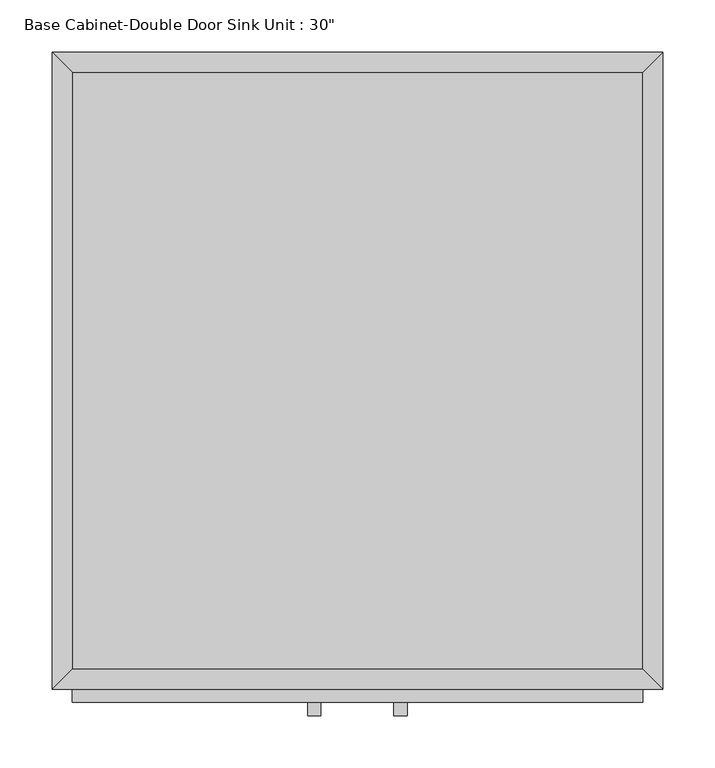
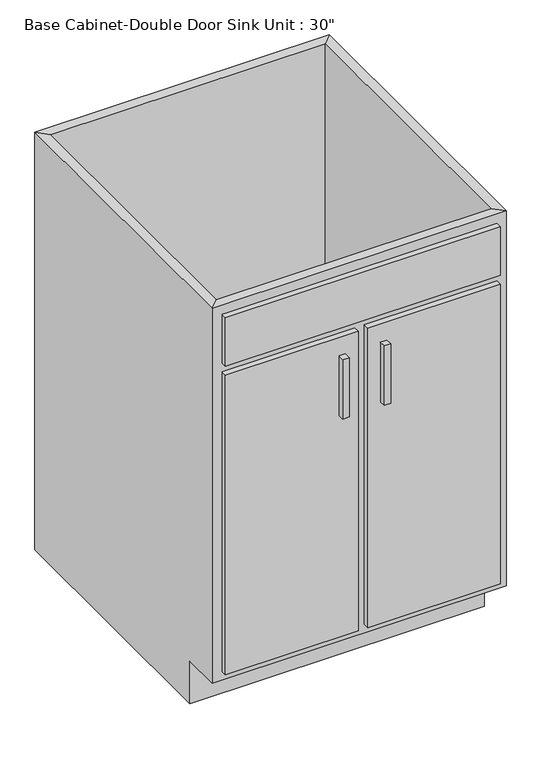
"""IFC4 building model written with IfcOpenShell, lengths in millimetres: furniture geometry."""

from ifc_helpers import new_model, si_unit, frame, origin, place, context, project, spatial, polyline, outline, extrude, faceted_brep, source, transform, mapped, element, save


def furniture_25fc497a(model_context):
    return source(origin(), model_context, "Body", "SolidModel", [
        faceted_brep([(291.7877049, -590.55, 876.3), (291.7877049, -590.55, 88.9), (-254.3122951, -590.55, 88.9), (-254.3122951, -590.55, 876.3), (-273.3622951, -609.6, 876.3), (310.8377049, -609.6, 876.3), (-273.3622951, -609.6, 88.9), (310.8377049, -609.6, 88.9), (-254.3122951, -533.4, 88.9), (-254.3122951, -19.05, 88.9), (-254.3122951, -19.05, 876.3), (-273.3622951, 0.0, 876.3), (-273.3622951, 0.0, 0.0), (-273.3622951, -533.4, 0.0), (-273.3622951, -533.4, 88.9), (291.7877049, -19.05, 88.9), (291.7877049, -19.05, 876.3), (310.8377049, 0.0, 876.3), (310.8377049, 0.0, 0.0), (291.7877049, -533.4, 88.9), (310.8377049, -533.4, 88.9), (310.8377049, -533.4, 0.0)], [[[0, 1, 2, 3]], [[0, 3, 4, 5]], [[5, 4, 6, 7]], [[2, 1, 7, 6]], [[3, 2, 8, 9, 10]], [[4, 3, 10, 11]], [[6, 4, 11, 12, 13, 14]], [[2, 6, 14, 8]], [[10, 9, 15, 16]], [[11, 10, 16, 17]], [[12, 11, 17, 18]], [[1, 0, 16, 15, 19]], [[0, 5, 17, 16]], [[5, 7, 20, 21, 18, 17]], [[7, 1, 19, 20]], [[8, 19, 15, 9]], [[18, 21, 13, 12]], [[13, 21, 20, 19, 8, 14]]]),
        extrude(outline(polyline([(-16.1872951, -635.0), (-28.8872951, -635.0), (-28.8872951, -622.3), (-16.1872951, -622.3), (-16.1872951, -635.0)])), frame((0.0, 0.0, 573.769895), z_axis=(0.0, 0.0, 1.0), x_axis=(1.0, 0.0, 0.0)), (0.0, 0.0, 1.0), 124.730105),
        extrude(outline(polyline([(66.3627049, -635.0), (53.6627049, -635.0), (53.6627049, -622.3), (66.3627049, -622.3), (66.3627049, -635.0)])), frame((0.0, 0.0, 573.769895), z_axis=(0.0, 0.0, 1.0), x_axis=(1.0, 0.0, 0.0)), (0.0, 0.0, 1.0), 124.730105),
        extrude(outline(polyline([(291.7877049, -19.05), (291.7877049, -590.55), (-254.3122951, -590.55), (-254.3122951, -19.05), (291.7877049, -19.05)])), frame((0.0, 0.0, 88.9), z_axis=(0.0, 0.0, 1.0), x_axis=(1.0, 0.0, 0.0)), (0.0, 0.0, 1.0), 19.05),
        extrude(outline(polyline([(9.2127049, -622.3), (-254.3122951, -622.3), (-254.3122951, -609.6), (9.2127049, -609.6), (9.2127049, -622.3)])), frame((0.0, 0.0, 107.95), z_axis=(0.0, 0.0, 1.0), x_axis=(1.0, 0.0, 0.0)), (0.0, 0.0, 1.0), 628.65),
        extrude(outline(polyline([(291.7877049, -622.3), (28.2627049, -622.3), (28.2627049, -609.6), (291.7877049, -609.6), (291.7877049, -622.3)])), frame((0.0, 0.0, 107.95), z_axis=(0.0, 0.0, 1.0), x_axis=(1.0, 0.0, 0.0)), (0.0, 0.0, 1.0), 628.65),
        extrude(outline(polyline([(291.7877049, -622.3), (-254.3122951, -622.3), (-254.3122951, -609.6), (291.7877049, -609.6), (291.7877049, -622.3)])), frame((0.0, 0.0, 755.65), z_axis=(0.0, 0.0, 1.0), x_axis=(1.0, 0.0, 0.0)), (0.0, 0.0, 1.0), 101.6),
    ])


if __name__ == "__main__":
    model = new_model("IFC4")
    model_context = context("Model", 3, world=origin())
    ifc_project = project(units=[si_unit("LENGTHUNIT", "METRE", prefix="MILLI")], contexts=[model_context])
    site = spatial("IfcSite", under=ifc_project)
    building = spatial("IfcBuilding", under=site)
    placement = place(None, origin())
    furniture_shape = furniture_25fc497a(model_context)
    element("IfcFurniture", 1, ObjectType="Base Cabinet-Double Door Sink Unit : 30\"", at=placement, inside=building, context=model_context, shape_type="MappedRepresentation", body=[
        mapped(furniture_shape, transform((0.0, 0.0, 0.0), x_axis=(1.0, 0.0, 0.0), y_axis=(0.0, 1.0, 0.0), z_axis=(0.0, 0.0, 1.0))),
    ])
    save(model, "model.ifc")
